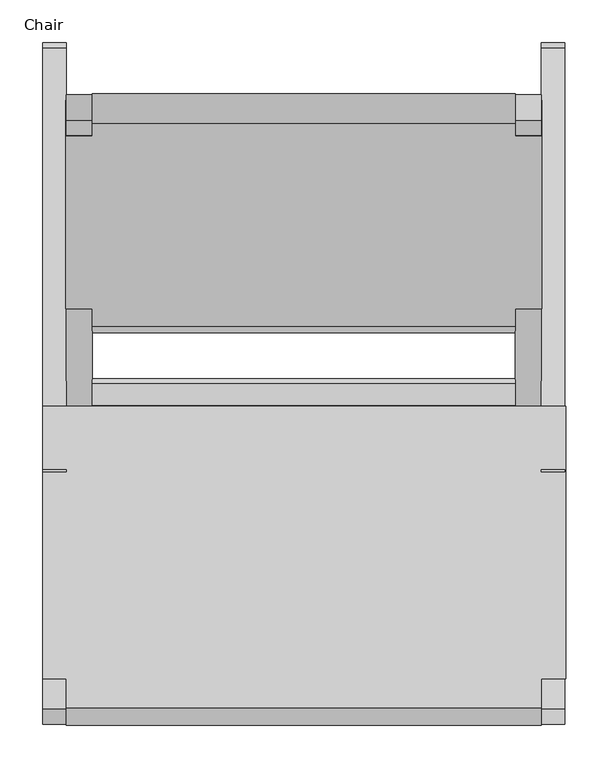
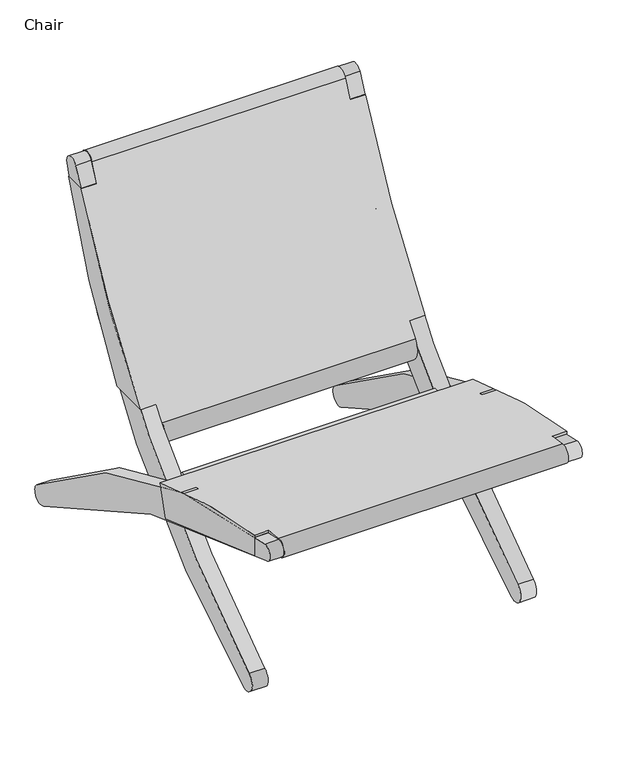
"""IFC4 building model written with IfcOpenShell, lengths in millimetres: furniture geometry, Chair."""

from ifc_helpers import new_model, si_unit, point, frame, frame_2d, origin, place, context, project, spatial, polyline, circle_curve, trimmed, segment, composite_curve, outline, extrude, faceted_brep, source, transform, mapped, element, save
from ifc_brep_helpers import plane_surface, cylinder_surface, revolved_surface, advanced_brep


def chair_a3eb0d24(model_context):
    return source(origin(), model_context, "Body", "SolidModel", [
        advanced_brep(
        [(-941.7088421, 902.7559836, 696.7326902), (-941.7088421, 945.088618, 696.7326902), (-941.7088421, 780.6406294, 363.0167007), (-941.7088421, 701.5833328, 363.0167007), (-386.1265269, 945.088618, 696.7326902), (-386.1265269, 902.7559836, 696.7326902), (-386.1265269, 701.5833328, 363.0167007), (-386.1265269, 780.6406294, 363.0167007), (-416.847601, 917.7918179, 732.3548208), (-910.9882429, 917.7918179, 732.3548208), (-910.9882429, 902.7559836, 696.7326902), (-910.9882429, 701.5833328, 363.0167007), (-910.9882429, 680.9052075, 337.6338291), (-416.847601, 680.9052075, 337.6338291), (-416.847601, 701.5833328, 363.0167007), (-416.847601, 902.7559836, 696.7326902), (-910.9882429, 945.088618, 696.7326902), (-910.9882429, 952.2390201, 720.3582188), (-416.847601, 945.088618, 696.7326902), (-416.847601, 952.2390201, 720.3582188), (-910.9882429, 730.7073141, 296.7597058), (-416.847601, 730.7073141, 296.7597058), (-910.9882429, 780.6406294, 363.0167007), (-416.847601, 780.6406294, 363.0167007)],
        [
            (0, 1),
            (1, 2, circle_curve(frame((-941.7088421, -213.4853871, 1060.2765938), z_axis=(-1.0, 0.0, 0.0), x_axis=(0.0, -1.0, 0.0)), 1214.2725787)),
            (2, 3),
            (3, 0, circle_curve(frame((-941.7088421, -472.0774942, 1298.0239168), z_axis=(1.0, 0.0, 0.0), x_axis=(0.0, -1.0, 0.0)), 1500.5726344)),
            (4, 5),
            (5, 6, circle_curve(frame((-386.1265269, -472.0774942, 1298.0239168), z_axis=(-1.0, 0.0, 0.0), x_axis=(0.0, -1.0, 0.0)), 1500.5726344)),
            (6, 7),
            (7, 4, circle_curve(frame((-386.1265269, -213.4853871, 1060.2765938), z_axis=(1.0, 0.0, 0.0), x_axis=(0.0, -1.0, 0.0)), 1214.2725787)),
            (8, 9),
            (9, 10, circle_curve(frame((-910.9882429, -472.0774942, 1298.0239168), z_axis=(-1.0, 0.0, 0.0), x_axis=(0.0, -1.0, 0.0)), 1500.5726344)),
            (10, 0),
            (3, 11),
            (11, 12, circle_curve(frame((-910.9882429, -472.0774942, 1298.0239168), z_axis=(-1.0, 0.0, 0.0), x_axis=(0.0, -1.0, 0.0)), 1500.5726344)),
            (12, 13),
            (13, 14, circle_curve(frame((-416.847601, -472.0774942, 1298.0239168), z_axis=(1.0, 0.0, 0.0), x_axis=(0.0, -1.0, 0.0)), 1500.5726344)),
            (14, 6),
            (5, 15),
            (15, 8, circle_curve(frame((-416.847601, -472.0774942, 1298.0239168), z_axis=(1.0, 0.0, 0.0), x_axis=(0.0, -1.0, 0.0)), 1500.5726344)),
            (16, 10),
            (9, 17, circle_curve(frame((-910.9882429, 934.7068518, 725.4704959), z_axis=(-1.0, 0.0, 0.0), x_axis=(0.0, -1.0, 0.0)), 18.2623192)),
            (17, 16, circle_curve(frame((-910.9882429, -213.4853871, 1060.2765938), z_axis=(-1.0, 0.0, 0.0), x_axis=(0.0, -1.0, 0.0)), 1214.2725787)),
            (16, 1),
            (18, 15),
            (4, 18),
            (18, 19, circle_curve(frame((-416.847601, -213.4853871, 1060.2765938), z_axis=(1.0, 0.0, 0.0), x_axis=(0.0, -1.0, 0.0)), 1214.2725787)),
            (19, 8, circle_curve(frame((-416.847601, 934.7068518, 725.4704959), z_axis=(1.0, 0.0, 0.0), x_axis=(0.0, -1.0, 0.0)), 18.2623192)),
            (12, 20, circle_curve(frame((-910.9882429, 705.6577981, 317.0158766), z_axis=(1.0, 0.0, 0.0), x_axis=(0.0, -1.0, 0.0)), 32.2147591)),
            (20, 21),
            (21, 13, circle_curve(frame((-416.847601, 705.6577981, 317.0158766), z_axis=(-1.0, 0.0, 0.0), x_axis=(0.0, -1.0, 0.0)), 32.2147591)),
            (11, 22),
            (22, 20, circle_curve(frame((-910.9882429, -213.4853871, 1060.2765938), z_axis=(-1.0, 0.0, 0.0), x_axis=(0.0, -1.0, 0.0)), 1214.2725787)),
            (2, 22),
            (14, 23),
            (23, 7),
            (21, 23, circle_curve(frame((-416.847601, -213.4853871, 1060.2765938), z_axis=(1.0, 0.0, 0.0), x_axis=(0.0, -1.0, 0.0)), 1214.2725787)),
            (19, 17),
        ],
        [
            plane_surface(frame((-941.7088421, 903.5497336, 0.0), z_axis=(-1.0, 0.0, 0.0), x_axis=(0.0, 0.0, 1.0))),
            plane_surface(frame((-386.1265269, 903.5497336, 0.0), z_axis=(1.0, 0.0, 0.0), x_axis=(0.0, 0.0, 1.0))),
            revolved_surface(polyline([(-386.12652689999993, -1972.6501286, 1298.0239168), (-941.7088421, -1972.6501286, 1298.0239168)]), (-941.7088421, -472.0774942, 1298.0239168), (1.0, 0.0, 0.0)),
            plane_surface(frame((-910.9882429, 1199.6206272, 772.9326902), z_axis=(-1.0, 0.0, 0.0), x_axis=(0.0, -1.0, 0.0))),
            plane_surface(frame((-910.9882429, 1199.6206272, 696.7326902), z_axis=(0.0, 0.0, 1.0), x_axis=(0.0, -1.0, 0.0))),
            plane_surface(frame((-340.647601, 1199.6206272, 696.7326902), z_axis=(0.0, 0.0, 1.0), x_axis=(0.0, -1.0, 0.0))),
            plane_surface(frame((-416.847601, 1199.6206272, 696.7326902), z_axis=(1.0, 0.0, 0.0), x_axis=(0.0, -1.0, 0.0))),
            cylinder_surface(frame((-941.7088421, 705.6577981, 317.0158766), z_axis=(-1.0, 0.0, 0.0), x_axis=(0.0, -1.0, 0.0)), 32.2147591),
            plane_surface(frame((-910.9882429, 875.4171138, 363.0167007), z_axis=(-1.0, 0.0, 0.0), x_axis=(0.0, -1.0, 0.0))),
            plane_surface(frame((-1000.8844715, 875.4171138, 363.0167007), z_axis=(0.0, 0.0, -1.0), x_axis=(0.0, -1.0, 0.0))),
            plane_surface(frame((-416.847601, 875.4171138, 363.0167007), z_axis=(0.0, 0.0, -1.0), x_axis=(0.0, -1.0, 0.0))),
            plane_surface(frame((-416.847601, 875.4171138, 160.3311409), z_axis=(1.0, 0.0, 0.0), x_axis=(0.0, -1.0, 0.0))),
            cylinder_surface(frame((-941.7088421, 934.7068518, 725.4704959), z_axis=(-1.0, 0.0, 0.0), x_axis=(0.0, -1.0, 0.0)), 18.2623192),
            cylinder_surface(frame((-941.7088421, -213.4853871, 1060.2765938), z_axis=(-1.0, 0.0, 0.0), x_axis=(0.0, -1.0, 0.0)), 1214.2725787),
        ],
        [
            (0, [[1, 2, 3, 4]]),
            (1, [[5, 6, 7, 8]]),
            (2, [[9, 10, 11, -4, 12, 13, 14, 15, 16, -6, 17, 18]]),
            (3, [[19, -10, 20, 21]]),
            (4, [[-19, 22, -1, -11]]),
            (5, [[23, -17, -5, 24]]),
            (6, [[-23, 25, 26, -18]]),
            (7, [[-14, 27, 28, 29]]),
            (8, [[30, 31, -27, -13]]),
            (9, [[-30, -12, -3, 32]]),
            (10, [[33, 34, -7, -16]]),
            (11, [[-33, -15, -29, 35]]),
            (12, [[-9, -26, 36, -20]]),
            (13, [[-36, -25, -24, -8, -34, -35, -28, -31, -32, -2, -22, -21]]),
        ],
    ),
        advanced_brep(
        [(-968.7865983, 588.0098093, 290.1109727), (-968.7865983, 570.6240075, 226.6182854), (-968.7865983, 269.3825014, 332.9782218), (-968.7865983, 269.3825014, 375.668822), (-357.9855427, 570.6240075, 226.6182854), (-357.9855427, 588.0098093, 290.1109727), (-357.9855427, 269.3825014, 375.668822), (-357.9855427, 269.3825014, 332.9782218), (-941.4677911, 269.3825014, 375.668822), (-941.4677911, 235.6828636, 380.4970121), (-386.3680528, 235.6828636, 380.4970121), (-386.3680528, 269.3825014, 375.668822), (-386.3680528, 269.3825014, 332.9782218), (-386.3680528, 228.2757647, 345.1685726), (-941.4677911, 228.2757647, 345.1685726), (-941.4677911, 269.3825014, 332.9782218)],
        [
            (0, 1),
            (1, 2, circle_curve(frame((-968.7865983, -759.1383339, -3059.8651566), z_axis=(1.0, 0.0, 0.0), x_axis=(0.0, -1.0, 0.0)), 3545.3125813)),
            (2, 3),
            (3, 0, circle_curve(frame((-968.7865983, 37.1391393, -1125.3136345), z_axis=(-1.0, 0.0, 0.0), x_axis=(0.0, -1.0, 0.0)), 1518.8434132)),
            (4, 5),
            (5, 6, circle_curve(frame((-357.9855427, 37.1391393, -1125.3136345), z_axis=(1.0, 0.0, 0.0), x_axis=(0.0, -1.0, 0.0)), 1518.8434132)),
            (6, 7),
            (7, 4, circle_curve(frame((-357.9855427, -759.1383339, -3059.8651566), z_axis=(-1.0, 0.0, 0.0), x_axis=(0.0, -1.0, 0.0)), 3545.3125813)),
            (5, 0),
            (3, 8),
            (8, 9, circle_curve(frame((-941.4677911, 37.1391393, -1125.3136345), z_axis=(1.0, 0.0, 0.0), x_axis=(0.0, -1.0, 0.0)), 1518.8434132)),
            (9, 10),
            (10, 11, circle_curve(frame((-386.3680528, 37.1391393, -1125.3136345), z_axis=(-1.0, 0.0, 0.0), x_axis=(0.0, -1.0, 0.0)), 1518.8434132)),
            (11, 6),
            (4, 1),
            (7, 12),
            (12, 13, circle_curve(frame((-386.3680528, -759.1383339, -3059.8651566), z_axis=(1.0, 0.0, 0.0), x_axis=(0.0, -1.0, 0.0)), 3545.3125813)),
            (13, 14),
            (14, 15, circle_curve(frame((-941.4677911, -759.1383339, -3059.8651566), z_axis=(-1.0, 0.0, 0.0), x_axis=(0.0, -1.0, 0.0)), 3545.3125813)),
            (15, 2),
            (9, 14, circle_curve(frame((-941.4677911, 233.3168308, 362.5523634), z_axis=(1.0, 0.0, 0.0), x_axis=(0.0, -1.0, 0.0)), 18.0999594)),
            (13, 10, circle_curve(frame((-386.3680528, 233.3168308, 362.5523634), z_axis=(-1.0, 0.0, 0.0), x_axis=(0.0, -1.0, 0.0)), 18.0999594)),
            (15, 8),
            (12, 11),
        ],
        [
            plane_surface(frame((-968.7865983, 619.8777767, 0.0), z_axis=(-1.0, 0.0, 0.0), x_axis=(0.0, 0.0, 1.0))),
            plane_surface(frame((-357.9855427, 619.8777767, 0.0), z_axis=(1.0, 0.0, 0.0), x_axis=(0.0, 0.0, 1.0))),
            cylinder_surface(frame((-968.7865983, 37.1391393, -1125.3136345), z_axis=(-1.0, 0.0, 0.0), x_axis=(0.0, -1.0, 0.0)), 1518.8434132),
            plane_surface(frame((-968.7865983, 588.0098093, 290.1109727), z_axis=(0.0, 0.9644948802682827, -0.26410154474419695), x_axis=(1.0, 0.0, 0.0))),
            revolved_surface(polyline([(-357.9855427, -4304.4509152, -3059.8651566), (-968.7865983, -4304.4509152, -3059.8651566)]), (-968.7865983, -759.1383339, -3059.8651566), (1.0, 0.0, 0.0)),
            cylinder_surface(frame((-968.7865983, 233.3168308, 362.5523634), z_axis=(-1.0, 0.0, 0.0), x_axis=(0.0, -1.0, 0.0)), 18.0999594),
            plane_surface(frame((-941.4677911, 269.3825014, 595.2032049), z_axis=(0.0, -1.0, 0.0), x_axis=(0.0, 0.0, -1.0))),
            plane_surface(frame((-941.4677911, 194.9412627, 595.2032049), z_axis=(-1.0, 0.0, 0.0), x_axis=(0.0, 0.0, -1.0))),
            plane_surface(frame((-386.3680528, 269.3825014, 595.2032049), z_axis=(1.0, 0.0, 0.0), x_axis=(0.0, 0.0, -1.0))),
            plane_surface(frame((-342.5541327, 269.3825014, 595.2032049), z_axis=(0.0, -1.0, 0.0), x_axis=(0.0, 0.0, -1.0))),
        ],
        [
            (0, [[1, 2, 3, 4]]),
            (1, [[5, 6, 7, 8]]),
            (2, [[9, -4, 10, 11, 12, 13, 14, -6]]),
            (3, [[-1, -9, -5, 15]]),
            (4, [[-15, -8, 16, 17, 18, 19, 20, -2]]),
            (5, [[-12, 21, -18, 22]]),
            (6, [[23, -10, -3, -20]]),
            (7, [[-23, -19, -21, -11]]),
            (8, [[24, -13, -22, -17]]),
            (9, [[-24, -16, -7, -14]]),
        ],
    ),
        advanced_brep(
        [(-968.717922, 269.3825014, 371.4841211), (-968.717922, 274.0590328, 370.7434313), (-968.717922, 272.8352389, 363.0167007), (-968.717922, 269.3825014, 363.0167007), (-386.3680528, 274.0590328, 370.7434313), (-386.3680528, 269.3825014, 371.4841211), (-386.3680528, 233.9178013, 377.1011778), (-386.3680528, 218.4540869, 363.0167007), (-386.3680528, 272.8352389, 363.0167007), (-910.9882429, 269.8680124, 344.2823697), (-416.847601, 269.8680124, 344.2823697), (-416.847601, 229.7267809, 350.6401162), (-910.9882429, 229.7267809, 350.6401162), (-941.4677911, 233.9178013, 377.1011778), (-941.4677911, 218.4540869, 363.0167007), (-910.9882429, 218.4540869, 363.0167007), (-416.847601, 218.4540869, 363.0167007), (-941.4677911, 269.3825014, 371.4841211), (-416.847601, 272.8352389, 363.0167007), (-910.9882429, 272.8352389, 363.0167007), (-941.4677911, 269.3825014, 363.0167007)],
        [
            (0, 1),
            (1, 2),
            (2, 3),
            (3, 0),
            (4, 5),
            (5, 6),
            (6, 7, circle_curve(frame((-386.3680528, 231.8222911, 363.870647), z_axis=(1.0, 0.0, 0.0), x_axis=(0.0, -1.0, 0.0)), 13.395451)),
            (7, 8),
            (8, 4),
            (9, 10),
            (10, 11),
            (11, 12),
            (12, 9),
            (6, 13),
            (13, 14, circle_curve(frame((-941.4677911, 231.8222911, 363.870647), z_axis=(1.0, 0.0, 0.0), x_axis=(0.0, -1.0, 0.0)), 13.395451)),
            (14, 15),
            (15, 12, circle_curve(frame((-910.9882429, 231.8222911, 363.870647), z_axis=(1.0, 0.0, 0.0), x_axis=(0.0, -1.0, 0.0)), 13.395451)),
            (11, 16, circle_curve(frame((-416.847601, 231.8222911, 363.870647), z_axis=(-1.0, 0.0, 0.0), x_axis=(0.0, -1.0, 0.0)), 13.395451)),
            (16, 7),
            (4, 1),
            (0, 17),
            (17, 13),
            (8, 18),
            (18, 10),
            (9, 19),
            (19, 2),
            (3, 20),
            (20, 17),
            (20, 14),
            (15, 19),
            (16, 18),
        ],
        [
            plane_surface(frame((-968.717922, 570.056076, 243.2549638), z_axis=(-1.0000000000000002, 0.0, 0.0), x_axis=(0.0, -0.7071067811865476, 0.7071067811865476))),
            plane_surface(frame((-386.3680528, 570.056076, 243.2549638), z_axis=(1.0000000000000002, 0.0, 0.0), x_axis=(0.0, 0.7071067811865476, -0.7071067811865476))),
            plane_surface(frame((-968.717922, 269.8680124, 344.2823697), z_axis=(0.0, -0.15643446504022748, -0.9876883405951383), x_axis=(1.0, 0.0, 0.0))),
            cylinder_surface(frame((-663.917922, 231.8222911, 363.870647), z_axis=(-1.0, 0.0, 0.0), x_axis=(0.0, -1.0, 0.0)), 13.395451),
            plane_surface(frame((-968.717922, 233.9178013, 377.1011778), z_axis=(0.0, 0.15643446504022776, 0.9876883405951383), x_axis=(1.0, 0.0, 0.0))),
            plane_surface(frame((-968.717922, 274.0590328, 370.7434313), z_axis=(0.0, 0.987688340595138, -0.1564344650402294), x_axis=(1.0, 0.0, 0.0))),
            plane_surface(frame((-941.4677911, 269.3825014, 595.2032049), z_axis=(0.0, -1.0, 0.0), x_axis=(0.0, 0.0, -1.0))),
            plane_surface(frame((-941.4677911, 194.9412627, 595.2032049), z_axis=(-1.0, 0.0, 0.0), x_axis=(0.0, 0.0, -1.0))),
            plane_surface(frame((-910.9882429, 875.4171138, 363.0167007), z_axis=(-1.0, 0.0, 0.0), x_axis=(0.0, -1.0, 0.0))),
            plane_surface(frame((-1000.8844715, 875.4171138, 363.0167007), z_axis=(0.0, 0.0, -1.0), x_axis=(0.0, -1.0, 0.0))),
            plane_surface(frame((-416.847601, 875.4171138, 363.0167007), z_axis=(0.0, 0.0, -1.0), x_axis=(0.0, -1.0, 0.0))),
            plane_surface(frame((-416.847601, 875.4171138, 160.3311409), z_axis=(1.0, 0.0, 0.0), x_axis=(0.0, -1.0, 0.0))),
        ],
        [
            (0, [[1, 2, 3, 4]]),
            (1, [[5, 6, 7, 8, 9]]),
            (2, [[10, 11, 12, 13]]),
            (3, [[14, 15, 16, 17, -12, 18, 19, -7]]),
            (4, [[20, -1, 21, 22, -14, -6, -5]]),
            (5, [[-20, -9, 23, 24, -10, 25, 26, -2]]),
            (6, [[-21, -4, 27, 28]]),
            (7, [[-22, -28, 29, -15]]),
            (8, [[30, -25, -13, -17]]),
            (9, [[-30, -16, -29, -27, -3, -26]]),
            (10, [[31, -23, -8, -19]]),
            (11, [[-31, -18, -11, -24]]),
        ],
    ),
        faceted_brep([(-910.9882429, 583.4262066, 229.8848332), (-416.847601, 583.4262066, 229.8848332), (-416.847601, 570.056076, 243.2549638), (-910.9882429, 570.056076, 243.2549638), (-416.847601, 579.0390767, 268.8893996), (-910.9882429, 579.0390767, 268.8893996), (-416.847601, 588.3343036, 275.3979876), (-910.9882429, 588.3343036, 275.3979876), (-416.847601, 613.8313046, 276.7342288), (-910.9882429, 613.8313046, 276.7342288), (-416.847601, 620.0290852, 270.5364482), (-910.9882429, 620.0290852, 270.5364482)], [[[0, 1, 2, 3]], [[3, 2, 4, 5]], [[5, 4, 6, 7]], [[7, 6, 8, 9]], [[9, 8, 10, 11]], [[1, 0, 11, 10]], [[0, 3, 5, 7, 9, 11]], [[2, 1, 10, 8, 6, 4]]]),
        extrude(outline(composite_curve([segment(polyline([(933.0748869, 684.2228232), (906.9376446, 694.7829546), (921.7963906, 731.5596416)]), True, "CONTINUOUS"), segment(trimmed(circle_curve(frame_2d((934.9323568, 726.2523667)), 14.1675959), [point((921.7963906, 731.5596416))], [point((948.6916993, 722.8757904))], False, "CARTESIAN"), True, "CONTINUOUS"), segment(polyline([(948.6916993, 722.8757904), (933.0748869, 684.2228232)]), True, "CONTINUOUS")], self_intersect=False)), frame((-910.9882429, 0.0, 0.0), z_axis=(1.0, 0.0, 0.0), x_axis=(0.0, 1.0, 0.0)), (0.0, 0.0, 1.0), 494.1406419),
        extrude(outline(composite_curve([segment(polyline([(725.9418634, 337.5108883), (699.2091171, 305.2548354)]), True, "CONTINUOUS"), segment(trimmed(circle_curve(frame_2d((688.5942182, 314.0521114)), 13.7865204), [point((699.2091171, 305.2548354))], [point((677.9793192, 322.8493875))], False, "CARTESIAN"), True, "CONTINUOUS"), segment(polyline([(677.9793192, 322.8493875), (704.7120655, 355.1054404), (725.9418634, 337.5108883)]), True, "CONTINUOUS")], self_intersect=False)), frame((-910.9882429, 0.0, 0.0), z_axis=(1.0, 0.0, 0.0), x_axis=(0.0, 1.0, 0.0)), (0.0, 0.0, 1.0), 494.1406419),
        extrude(outline(composite_curve([segment(trimmed(circle_curve(frame_2d((232.0876286, 362.9874703)), 15.8682668), [point((227.9520007, 347.6675985))], [point((234.0163278, 378.7380896))], False, "CARTESIAN"), True, "CONTINUOUS"), segment(trimmed(circle_curve(frame_2d((59.6905063, -1044.8844295)), 1434.256103), [point((234.0163278, 378.7380896))], [point((1005.7392256, 33.1148236))], False, "CARTESIAN"), True, "CONTINUOUS"), segment(trimmed(circle_curve(frame_2d((993.2237697, 18.8537693)), 18.974043), [point((1005.7392256, 33.1148236))], [point((982.6213754, 3.1183461))], False, "CARTESIAN"), True, "CONTINUOUS"), segment(trimmed(circle_curve(frame_2d((-431.7031805, -2095.9354094)), 2531.0749926), [point((982.6213754, 3.1183461))], [point((227.9520007, 347.6675985))], True, "CARTESIAN"), True, "CONTINUOUS")], self_intersect=False)), frame((-386.3680528, 0.0, 0.0), z_axis=(1.0, 0.0, 0.0), x_axis=(0.0, 1.0, 0.0)), (0.0, 0.0, 1.0), 27.2501309),
        extrude(outline(composite_curve([segment(trimmed(circle_curve(frame_2d((232.0876286, 362.9874703)), 15.8682668), [point((227.9520007, 347.6675985))], [point((234.0163278, 378.7380896))], False, "CARTESIAN"), True, "CONTINUOUS"), segment(trimmed(circle_curve(frame_2d((59.6905063, -1044.8844295)), 1434.256103), [point((234.0163278, 378.7380896))], [point((1005.7392256, 33.1148236))], False, "CARTESIAN"), True, "CONTINUOUS"), segment(trimmed(circle_curve(frame_2d((993.2237697, 18.8537693)), 18.974043), [point((1005.7392256, 33.1148236))], [point((982.6213754, 3.1183461))], False, "CARTESIAN"), True, "CONTINUOUS"), segment(trimmed(circle_curve(frame_2d((-431.7031805, -2095.9354094)), 2531.0749926), [point((982.6213754, 3.1183461))], [point((227.9520007, 347.6675985))], True, "CARTESIAN"), True, "CONTINUOUS")], self_intersect=False)), frame((-968.717922, 0.0, 0.0), z_axis=(1.0, 0.0, 0.0), x_axis=(0.0, 1.0, 0.0)), (0.0, 0.0, 1.0), 27.2501309),
        extrude(outline(composite_curve([segment(trimmed(circle_curve(frame_2d((-373.0905761, 1230.9262975)), 1383.8978613), [point((334.4136565, 41.5520707))], [point((903.5497336, 696.7326902))], True, "CARTESIAN"), True, "CONTINUOUS"), segment(polyline([(903.5497336, 696.7326902), (921.4066374, 733.3649364)]), True, "CONTINUOUS"), segment(trimmed(circle_curve(frame_2d((935.6407973, 726.4262949)), 15.8352788), [point((921.4066374, 733.3649364))], [point((950.7321377, 721.6296816))], False, "CARTESIAN"), True, "CONTINUOUS"), segment(polyline([(950.7321377, 721.6296816), (938.2093364, 682.2298283)]), True, "CONTINUOUS"), segment(trimmed(circle_curve(frame_2d((-155.1455681, 1029.7404187)), 1147.2526128), [point((938.2093364, 682.2298283))], [point((355.7005581, 2.4990679))], False, "CARTESIAN"), True, "CONTINUOUS"), segment(trimmed(circle_curve(frame_2d((345.7910899, 22.4256465)), 22.2545747), [point((355.7005581, 2.4990679))], [point((334.4136565, 41.5520707))], False, "CARTESIAN"), True, "CONTINUOUS")], self_intersect=False)), frame((-416.847601, 0.0, 0.0), z_axis=(1.0, 0.0, 0.0), x_axis=(0.0, 1.0, 0.0)), (0.0, 0.0, 1.0), 30.4795482),
        extrude(outline(composite_curve([segment(trimmed(circle_curve(frame_2d((-373.0905761, 1230.9262975)), 1383.8978613), [point((334.4136565, 41.5520707))], [point((903.5497336, 696.7326902))], True, "CARTESIAN"), True, "CONTINUOUS"), segment(polyline([(903.5497336, 696.7326902), (921.4066374, 733.3649364)]), True, "CONTINUOUS"), segment(trimmed(circle_curve(frame_2d((935.6407973, 726.4262949)), 15.8352788), [point((921.4066374, 733.3649364))], [point((950.7321377, 721.6296816))], False, "CARTESIAN"), True, "CONTINUOUS"), segment(polyline([(950.7321377, 721.6296816), (938.2093364, 682.2298283)]), True, "CONTINUOUS"), segment(trimmed(circle_curve(frame_2d((-155.1455681, 1029.7404187)), 1147.2526128), [point((938.2093364, 682.2298283))], [point((355.7005581, 2.4990679))], False, "CARTESIAN"), True, "CONTINUOUS"), segment(trimmed(circle_curve(frame_2d((345.7910899, 22.4256465)), 22.2545747), [point((355.7005581, 2.4990679))], [point((334.4136565, 41.5520707))], False, "CARTESIAN"), True, "CONTINUOUS")], self_intersect=False)), frame((-941.4677911, 0.0, 0.0), z_axis=(1.0, 0.0, 0.0), x_axis=(0.0, 1.0, 0.0)), (0.0, 0.0, 1.0), 30.4795482),
    ])


if __name__ == "__main__":
    model = new_model("IFC4")
    model_context = context("Model", 3, world=origin())
    ifc_project = project(units=[si_unit("LENGTHUNIT", "METRE", prefix="MILLI")], contexts=[model_context])
    site = spatial("IfcSite", under=ifc_project)
    building = spatial("IfcBuilding", under=site)
    placement = place(None, origin())
    chair_shape = chair_a3eb0d24(model_context)
    element("IfcFurniture", 1, ObjectType="Chair", at=placement, inside=building, context=model_context, shape_type="MappedRepresentation", body=[
        mapped(chair_shape, transform((0.0, 0.0, 0.0), x_axis=(1.0, 0.0, 0.0), y_axis=(0.0, 1.0, 0.0), z_axis=(0.0, 0.0, 1.0))),
    ])
    save(model, "model.ifc")
